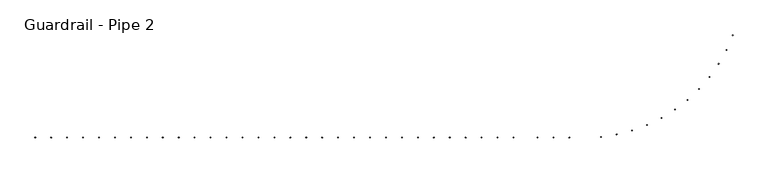
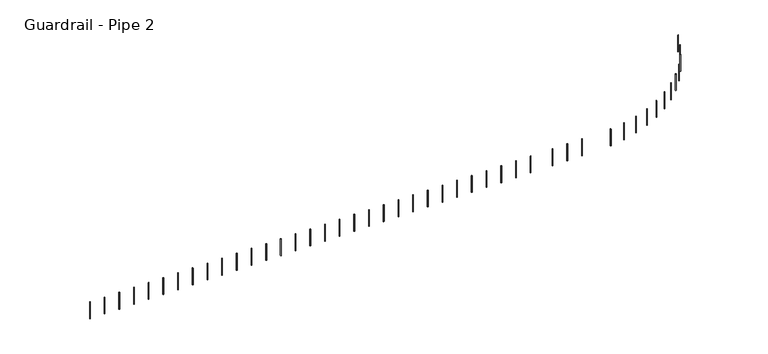
"""IFC4 building model written with IfcOpenShell, lengths in millimetres: railing geometry, Guardrail - Pipe 2."""

from ifc_helpers import new_model, si_unit, point, frame, frame_2d, origin, place, context, project, spatial, circle_curve, trimmed, segment, composite_curve, outline, extrude, source, transform, mapped, element, save


def guardrail_pipe_2_cb32411d(model_context):
    return source(origin(), model_context, "Body", "SweptSolid", [
        extrude(outline(composite_curve([segment(trimmed(circle_curve(frame_2d((217622.2254676, -510134.4080223)), 12.7), [point((217622.2254676, -510147.1080223))], [point((217622.2254676, -510121.7080223))], False, "CARTESIAN"), True, "CONTINUOUS"), segment(trimmed(circle_curve(frame_2d((217622.2254676, -510134.4080223)), 12.7), [point((217622.2254676, -510121.7080223))], [point((217622.2254676, -510147.1080223))], False, "CARTESIAN"), True, "CONTINUOUS")], self_intersect=False)), frame((0.0, 0.0, 4267.2), z_axis=(0.0, 0.0, 1.0), x_axis=(1.0, 0.0, 0.0)), (0.0, 0.0, 1.0), 723.9),
        extrude(outline(composite_curve([segment(trimmed(circle_curve(frame_2d((218231.8254676, -510134.4080223)), 12.7), [point((218231.8254676, -510147.1080223))], [point((218231.8254676, -510121.7080223))], False, "CARTESIAN"), True, "CONTINUOUS"), segment(trimmed(circle_curve(frame_2d((218231.8254676, -510134.4080223)), 12.7), [point((218231.8254676, -510121.7080223))], [point((218231.8254676, -510147.1080223))], False, "CARTESIAN"), True, "CONTINUOUS")], self_intersect=False)), frame((0.0, 0.0, 4267.2), z_axis=(0.0, 0.0, 1.0), x_axis=(1.0, 0.0, 0.0)), (0.0, 0.0, 1.0), 723.9),
        extrude(outline(composite_curve([segment(trimmed(circle_curve(frame_2d((218841.4254676, -510134.4080223)), 12.7), [point((218841.4254676, -510147.1080223))], [point((218841.4254676, -510121.7080223))], False, "CARTESIAN"), True, "CONTINUOUS"), segment(trimmed(circle_curve(frame_2d((218841.4254676, -510134.4080223)), 12.7), [point((218841.4254676, -510121.7080223))], [point((218841.4254676, -510147.1080223))], False, "CARTESIAN"), True, "CONTINUOUS")], self_intersect=False)), frame((0.0, 0.0, 4267.2), z_axis=(0.0, 0.0, 1.0), x_axis=(1.0, 0.0, 0.0)), (0.0, 0.0, 1.0), 723.9),
        extrude(outline(composite_curve([segment(trimmed(circle_curve(frame_2d((219451.0254676, -510134.4080223)), 12.7), [point((219451.0254676, -510147.1080223))], [point((219451.0254676, -510121.7080223))], False, "CARTESIAN"), True, "CONTINUOUS"), segment(trimmed(circle_curve(frame_2d((219451.0254676, -510134.4080223)), 12.7), [point((219451.0254676, -510121.7080223))], [point((219451.0254676, -510147.1080223))], False, "CARTESIAN"), True, "CONTINUOUS")], self_intersect=False)), frame((0.0, 0.0, 4267.2), z_axis=(0.0, 0.0, 1.0), x_axis=(1.0, 0.0, 0.0)), (0.0, 0.0, 1.0), 723.9),
        extrude(outline(composite_curve([segment(trimmed(circle_curve(frame_2d((220060.6254676, -510134.4080223)), 12.7), [point((220060.6254676, -510147.1080223))], [point((220060.6254676, -510121.7080223))], False, "CARTESIAN"), True, "CONTINUOUS"), segment(trimmed(circle_curve(frame_2d((220060.6254676, -510134.4080223)), 12.7), [point((220060.6254676, -510121.7080223))], [point((220060.6254676, -510147.1080223))], False, "CARTESIAN"), True, "CONTINUOUS")], self_intersect=False)), frame((0.0, 0.0, 4267.2), z_axis=(0.0, 0.0, 1.0), x_axis=(1.0, 0.0, 0.0)), (0.0, 0.0, 1.0), 723.9),
        extrude(outline(composite_curve([segment(trimmed(circle_curve(frame_2d((220670.2254676, -510134.4080223)), 12.7), [point((220670.2254676, -510147.1080223))], [point((220670.2254676, -510121.7080223))], False, "CARTESIAN"), True, "CONTINUOUS"), segment(trimmed(circle_curve(frame_2d((220670.2254676, -510134.4080223)), 12.7), [point((220670.2254676, -510121.7080223))], [point((220670.2254676, -510147.1080223))], False, "CARTESIAN"), True, "CONTINUOUS")], self_intersect=False)), frame((0.0, 0.0, 4267.2), z_axis=(0.0, 0.0, 1.0), x_axis=(1.0, 0.0, 0.0)), (0.0, 0.0, 1.0), 723.9),
        extrude(outline(composite_curve([segment(trimmed(circle_curve(frame_2d((221279.8254676, -510134.4080223)), 12.7), [point((221279.8254676, -510147.1080223))], [point((221279.8254676, -510121.7080223))], False, "CARTESIAN"), True, "CONTINUOUS"), segment(trimmed(circle_curve(frame_2d((221279.8254676, -510134.4080223)), 12.7), [point((221279.8254676, -510121.7080223))], [point((221279.8254676, -510147.1080223))], False, "CARTESIAN"), True, "CONTINUOUS")], self_intersect=False)), frame((0.0, 0.0, 4267.2), z_axis=(0.0, 0.0, 1.0), x_axis=(1.0, 0.0, 0.0)), (0.0, 0.0, 1.0), 723.9),
        extrude(outline(composite_curve([segment(trimmed(circle_curve(frame_2d((221889.4254676, -510134.4080223)), 12.7), [point((221889.4254676, -510147.1080223))], [point((221889.4254676, -510121.7080223))], False, "CARTESIAN"), True, "CONTINUOUS"), segment(trimmed(circle_curve(frame_2d((221889.4254676, -510134.4080223)), 12.7), [point((221889.4254676, -510121.7080223))], [point((221889.4254676, -510147.1080223))], False, "CARTESIAN"), True, "CONTINUOUS")], self_intersect=False)), frame((0.0, 0.0, 4267.2), z_axis=(0.0, 0.0, 1.0), x_axis=(1.0, 0.0, 0.0)), (0.0, 0.0, 1.0), 723.9),
        extrude(outline(composite_curve([segment(trimmed(circle_curve(frame_2d((222499.0254676, -510134.4080223)), 12.7), [point((222499.0254676, -510147.1080223))], [point((222499.0254676, -510121.7080223))], False, "CARTESIAN"), True, "CONTINUOUS"), segment(trimmed(circle_curve(frame_2d((222499.0254676, -510134.4080223)), 12.7), [point((222499.0254676, -510121.7080223))], [point((222499.0254676, -510147.1080223))], False, "CARTESIAN"), True, "CONTINUOUS")], self_intersect=False)), frame((0.0, 0.0, 4267.2), z_axis=(0.0, 0.0, 1.0), x_axis=(1.0, 0.0, 0.0)), (0.0, 0.0, 1.0), 723.9),
        extrude(outline(composite_curve([segment(trimmed(circle_curve(frame_2d((223108.6254676, -510134.4080223)), 12.7), [point((223108.6254676, -510147.1080223))], [point((223108.6254676, -510121.7080223))], False, "CARTESIAN"), True, "CONTINUOUS"), segment(trimmed(circle_curve(frame_2d((223108.6254676, -510134.4080223)), 12.7), [point((223108.6254676, -510121.7080223))], [point((223108.6254676, -510147.1080223))], False, "CARTESIAN"), True, "CONTINUOUS")], self_intersect=False)), frame((0.0, 0.0, 4267.2), z_axis=(0.0, 0.0, 1.0), x_axis=(1.0, 0.0, 0.0)), (0.0, 0.0, 1.0), 723.9),
        extrude(outline(composite_curve([segment(trimmed(circle_curve(frame_2d((223718.2254676, -510134.4080223)), 12.7), [point((223718.2254676, -510147.1080223))], [point((223718.2254676, -510121.7080223))], False, "CARTESIAN"), True, "CONTINUOUS"), segment(trimmed(circle_curve(frame_2d((223718.2254676, -510134.4080223)), 12.7), [point((223718.2254676, -510121.7080223))], [point((223718.2254676, -510147.1080223))], False, "CARTESIAN"), True, "CONTINUOUS")], self_intersect=False)), frame((0.0, 0.0, 4267.2), z_axis=(0.0, 0.0, 1.0), x_axis=(1.0, 0.0, 0.0)), (0.0, 0.0, 1.0), 723.9),
        extrude(outline(composite_curve([segment(trimmed(circle_curve(frame_2d((224327.8254676, -510134.4080223)), 12.7), [point((224327.8254676, -510147.1080223))], [point((224327.8254676, -510121.7080223))], False, "CARTESIAN"), True, "CONTINUOUS"), segment(trimmed(circle_curve(frame_2d((224327.8254676, -510134.4080223)), 12.7), [point((224327.8254676, -510121.7080223))], [point((224327.8254676, -510147.1080223))], False, "CARTESIAN"), True, "CONTINUOUS")], self_intersect=False)), frame((0.0, 0.0, 4267.2), z_axis=(0.0, 0.0, 1.0), x_axis=(1.0, 0.0, 0.0)), (0.0, 0.0, 1.0), 723.9),
        extrude(outline(composite_curve([segment(trimmed(circle_curve(frame_2d((224937.4254676, -510134.4080223)), 12.7), [point((224937.4254676, -510147.1080223))], [point((224937.4254676, -510121.7080223))], False, "CARTESIAN"), True, "CONTINUOUS"), segment(trimmed(circle_curve(frame_2d((224937.4254676, -510134.4080223)), 12.7), [point((224937.4254676, -510121.7080223))], [point((224937.4254676, -510147.1080223))], False, "CARTESIAN"), True, "CONTINUOUS")], self_intersect=False)), frame((0.0, 0.0, 4267.2), z_axis=(0.0, 0.0, 1.0), x_axis=(1.0, 0.0, 0.0)), (0.0, 0.0, 1.0), 723.9),
        extrude(outline(composite_curve([segment(trimmed(circle_curve(frame_2d((225547.0254676, -510134.4080223)), 12.7), [point((225547.0254676, -510147.1080223))], [point((225547.0254676, -510121.7080223))], False, "CARTESIAN"), True, "CONTINUOUS"), segment(trimmed(circle_curve(frame_2d((225547.0254676, -510134.4080223)), 12.7), [point((225547.0254676, -510121.7080223))], [point((225547.0254676, -510147.1080223))], False, "CARTESIAN"), True, "CONTINUOUS")], self_intersect=False)), frame((0.0, 0.0, 4267.2), z_axis=(0.0, 0.0, 1.0), x_axis=(1.0, 0.0, 0.0)), (0.0, 0.0, 1.0), 723.9),
        extrude(outline(composite_curve([segment(trimmed(circle_curve(frame_2d((226156.6254676, -510134.4080223)), 12.7), [point((226156.6254676, -510147.1080223))], [point((226156.6254676, -510121.7080223))], False, "CARTESIAN"), True, "CONTINUOUS"), segment(trimmed(circle_curve(frame_2d((226156.6254676, -510134.4080223)), 12.7), [point((226156.6254676, -510121.7080223))], [point((226156.6254676, -510147.1080223))], False, "CARTESIAN"), True, "CONTINUOUS")], self_intersect=False)), frame((0.0, 0.0, 4267.2), z_axis=(0.0, 0.0, 1.0), x_axis=(1.0, 0.0, 0.0)), (0.0, 0.0, 1.0), 723.9),
        extrude(outline(composite_curve([segment(trimmed(circle_curve(frame_2d((226766.2254676, -510134.4080223)), 12.7), [point((226766.2254676, -510147.1080223))], [point((226766.2254676, -510121.7080223))], False, "CARTESIAN"), True, "CONTINUOUS"), segment(trimmed(circle_curve(frame_2d((226766.2254676, -510134.4080223)), 12.7), [point((226766.2254676, -510121.7080223))], [point((226766.2254676, -510147.1080223))], False, "CARTESIAN"), True, "CONTINUOUS")], self_intersect=False)), frame((0.0, 0.0, 4267.2), z_axis=(0.0, 0.0, 1.0), x_axis=(1.0, 0.0, 0.0)), (0.0, 0.0, 1.0), 723.9),
        extrude(outline(composite_curve([segment(trimmed(circle_curve(frame_2d((227375.8254676, -510134.4080223)), 12.7), [point((227375.8254676, -510147.1080223))], [point((227375.8254676, -510121.7080223))], False, "CARTESIAN"), True, "CONTINUOUS"), segment(trimmed(circle_curve(frame_2d((227375.8254676, -510134.4080223)), 12.7), [point((227375.8254676, -510121.7080223))], [point((227375.8254676, -510147.1080223))], False, "CARTESIAN"), True, "CONTINUOUS")], self_intersect=False)), frame((0.0, 0.0, 4267.2), z_axis=(0.0, 0.0, 1.0), x_axis=(1.0, 0.0, 0.0)), (0.0, 0.0, 1.0), 723.9),
        extrude(outline(composite_curve([segment(trimmed(circle_curve(frame_2d((227985.4254676, -510134.4080223)), 12.7), [point((227985.4254676, -510147.1080223))], [point((227985.4254676, -510121.7080223))], False, "CARTESIAN"), True, "CONTINUOUS"), segment(trimmed(circle_curve(frame_2d((227985.4254676, -510134.4080223)), 12.7), [point((227985.4254676, -510121.7080223))], [point((227985.4254676, -510147.1080223))], False, "CARTESIAN"), True, "CONTINUOUS")], self_intersect=False)), frame((0.0, 0.0, 4267.2), z_axis=(0.0, 0.0, 1.0), x_axis=(1.0, 0.0, 0.0)), (0.0, 0.0, 1.0), 723.9),
        extrude(outline(composite_curve([segment(trimmed(circle_curve(frame_2d((228595.0254676, -510134.4080223)), 12.7), [point((228595.0254676, -510147.1080223))], [point((228595.0254676, -510121.7080223))], False, "CARTESIAN"), True, "CONTINUOUS"), segment(trimmed(circle_curve(frame_2d((228595.0254676, -510134.4080223)), 12.7), [point((228595.0254676, -510121.7080223))], [point((228595.0254676, -510147.1080223))], False, "CARTESIAN"), True, "CONTINUOUS")], self_intersect=False)), frame((0.0, 0.0, 4267.2), z_axis=(0.0, 0.0, 1.0), x_axis=(1.0, 0.0, 0.0)), (0.0, 0.0, 1.0), 723.9),
        extrude(outline(composite_curve([segment(trimmed(circle_curve(frame_2d((229204.6254676, -510134.4080223)), 12.7), [point((229204.6254676, -510147.1080223))], [point((229204.6254676, -510121.7080223))], False, "CARTESIAN"), True, "CONTINUOUS"), segment(trimmed(circle_curve(frame_2d((229204.6254676, -510134.4080223)), 12.7), [point((229204.6254676, -510121.7080223))], [point((229204.6254676, -510147.1080223))], False, "CARTESIAN"), True, "CONTINUOUS")], self_intersect=False)), frame((0.0, 0.0, 4267.2), z_axis=(0.0, 0.0, 1.0), x_axis=(1.0, 0.0, 0.0)), (0.0, 0.0, 1.0), 723.9),
        extrude(outline(composite_curve([segment(trimmed(circle_curve(frame_2d((229814.2254676, -510134.4080223)), 12.7), [point((229814.2254676, -510147.1080223))], [point((229814.2254676, -510121.7080223))], False, "CARTESIAN"), True, "CONTINUOUS"), segment(trimmed(circle_curve(frame_2d((229814.2254676, -510134.4080223)), 12.7), [point((229814.2254676, -510121.7080223))], [point((229814.2254676, -510147.1080223))], False, "CARTESIAN"), True, "CONTINUOUS")], self_intersect=False)), frame((0.0, 0.0, 4267.2), z_axis=(0.0, 0.0, 1.0), x_axis=(1.0, 0.0, 0.0)), (0.0, 0.0, 1.0), 723.9),
        extrude(outline(composite_curve([segment(trimmed(circle_curve(frame_2d((230423.8254676, -510134.4080223)), 12.7), [point((230423.8254676, -510147.1080223))], [point((230423.8254676, -510121.7080223))], False, "CARTESIAN"), True, "CONTINUOUS"), segment(trimmed(circle_curve(frame_2d((230423.8254676, -510134.4080223)), 12.7), [point((230423.8254676, -510121.7080223))], [point((230423.8254676, -510147.1080223))], False, "CARTESIAN"), True, "CONTINUOUS")], self_intersect=False)), frame((0.0, 0.0, 4267.2), z_axis=(0.0, 0.0, 1.0), x_axis=(1.0, 0.0, 0.0)), (0.0, 0.0, 1.0), 723.9),
        extrude(outline(composite_curve([segment(trimmed(circle_curve(frame_2d((231033.4254676, -510134.4080223)), 12.7), [point((231033.4254676, -510147.1080223))], [point((231033.4254676, -510121.7080223))], False, "CARTESIAN"), True, "CONTINUOUS"), segment(trimmed(circle_curve(frame_2d((231033.4254676, -510134.4080223)), 12.7), [point((231033.4254676, -510121.7080223))], [point((231033.4254676, -510147.1080223))], False, "CARTESIAN"), True, "CONTINUOUS")], self_intersect=False)), frame((0.0, 0.0, 4267.2), z_axis=(0.0, 0.0, 1.0), x_axis=(1.0, 0.0, 0.0)), (0.0, 0.0, 1.0), 723.9),
        extrude(outline(composite_curve([segment(trimmed(circle_curve(frame_2d((231643.0254676, -510134.4080223)), 12.7), [point((231643.0254676, -510147.1080223))], [point((231643.0254676, -510121.7080223))], False, "CARTESIAN"), True, "CONTINUOUS"), segment(trimmed(circle_curve(frame_2d((231643.0254676, -510134.4080223)), 12.7), [point((231643.0254676, -510121.7080223))], [point((231643.0254676, -510147.1080223))], False, "CARTESIAN"), True, "CONTINUOUS")], self_intersect=False)), frame((0.0, 0.0, 4267.2), z_axis=(0.0, 0.0, 1.0), x_axis=(1.0, 0.0, 0.0)), (0.0, 0.0, 1.0), 723.9),
        extrude(outline(composite_curve([segment(trimmed(circle_curve(frame_2d((232252.6254676, -510134.4080223)), 12.7), [point((232252.6254676, -510147.1080223))], [point((232252.6254676, -510121.7080223))], False, "CARTESIAN"), True, "CONTINUOUS"), segment(trimmed(circle_curve(frame_2d((232252.6254676, -510134.4080223)), 12.7), [point((232252.6254676, -510121.7080223))], [point((232252.6254676, -510147.1080223))], False, "CARTESIAN"), True, "CONTINUOUS")], self_intersect=False)), frame((0.0, 0.0, 4267.2), z_axis=(0.0, 0.0, 1.0), x_axis=(1.0, 0.0, 0.0)), (0.0, 0.0, 1.0), 723.9),
        extrude(outline(composite_curve([segment(trimmed(circle_curve(frame_2d((232862.2254676, -510134.4080223)), 12.7), [point((232862.2254676, -510147.1080223))], [point((232862.2254676, -510121.7080223))], False, "CARTESIAN"), True, "CONTINUOUS"), segment(trimmed(circle_curve(frame_2d((232862.2254676, -510134.4080223)), 12.7), [point((232862.2254676, -510121.7080223))], [point((232862.2254676, -510147.1080223))], False, "CARTESIAN"), True, "CONTINUOUS")], self_intersect=False)), frame((0.0, 0.0, 4267.2), z_axis=(0.0, 0.0, 1.0), x_axis=(1.0, 0.0, 0.0)), (0.0, 0.0, 1.0), 723.9),
        extrude(outline(composite_curve([segment(trimmed(circle_curve(frame_2d((233471.8254676, -510134.4080223)), 12.7), [point((233471.8254676, -510147.1080223))], [point((233471.8254676, -510121.7080223))], False, "CARTESIAN"), True, "CONTINUOUS"), segment(trimmed(circle_curve(frame_2d((233471.8254676, -510134.4080223)), 12.7), [point((233471.8254676, -510121.7080223))], [point((233471.8254676, -510147.1080223))], False, "CARTESIAN"), True, "CONTINUOUS")], self_intersect=False)), frame((0.0, 0.0, 4267.2), z_axis=(0.0, 0.0, 1.0), x_axis=(1.0, 0.0, 0.0)), (0.0, 0.0, 1.0), 723.9),
        extrude(outline(composite_curve([segment(trimmed(circle_curve(frame_2d((234081.4254676, -510134.4080223)), 12.7), [point((234081.4254676, -510147.1080223))], [point((234081.4254676, -510121.7080223))], False, "CARTESIAN"), True, "CONTINUOUS"), segment(trimmed(circle_curve(frame_2d((234081.4254676, -510134.4080223)), 12.7), [point((234081.4254676, -510121.7080223))], [point((234081.4254676, -510147.1080223))], False, "CARTESIAN"), True, "CONTINUOUS")], self_intersect=False)), frame((0.0, 0.0, 4267.2), z_axis=(0.0, 0.0, 1.0), x_axis=(1.0, 0.0, 0.0)), (0.0, 0.0, 1.0), 723.9),
        extrude(outline(composite_curve([segment(trimmed(circle_curve(frame_2d((234691.0254676, -510134.4080223)), 12.7), [point((234691.0254676, -510147.1080223))], [point((234691.0254676, -510121.7080223))], False, "CARTESIAN"), True, "CONTINUOUS"), segment(trimmed(circle_curve(frame_2d((234691.0254676, -510134.4080223)), 12.7), [point((234691.0254676, -510121.7080223))], [point((234691.0254676, -510147.1080223))], False, "CARTESIAN"), True, "CONTINUOUS")], self_intersect=False)), frame((0.0, 0.0, 4267.2), z_axis=(0.0, 0.0, 1.0), x_axis=(1.0, 0.0, 0.0)), (0.0, 0.0, 1.0), 723.9),
        extrude(outline(composite_curve([segment(trimmed(circle_curve(frame_2d((235300.6254676, -510134.4080223)), 12.7), [point((235300.6254676, -510147.1080223))], [point((235300.6254676, -510121.7080223))], False, "CARTESIAN"), True, "CONTINUOUS"), segment(trimmed(circle_curve(frame_2d((235300.6254676, -510134.4080223)), 12.7), [point((235300.6254676, -510121.7080223))], [point((235300.6254676, -510147.1080223))], False, "CARTESIAN"), True, "CONTINUOUS")], self_intersect=False)), frame((0.0, 0.0, 4267.2), z_axis=(0.0, 0.0, 1.0), x_axis=(1.0, 0.0, 0.0)), (0.0, 0.0, 1.0), 723.9),
        extrude(outline(composite_curve([segment(trimmed(circle_curve(frame_2d((235910.2254676, -510134.4080223)), 12.7), [point((235910.2254676, -510147.1080223))], [point((235910.2254676, -510121.7080223))], False, "CARTESIAN"), True, "CONTINUOUS"), segment(trimmed(circle_curve(frame_2d((235910.2254676, -510134.4080223)), 12.7), [point((235910.2254676, -510121.7080223))], [point((235910.2254676, -510147.1080223))], False, "CARTESIAN"), True, "CONTINUOUS")], self_intersect=False)), frame((0.0, 0.0, 4267.2), z_axis=(0.0, 0.0, 1.0), x_axis=(1.0, 0.0, 0.0)), (0.0, 0.0, 1.0), 723.9),
        extrude(outline(composite_curve([segment(trimmed(circle_curve(frame_2d((236824.6254676, -510134.4080223)), 12.7), [point((236824.6254676, -510147.1080223))], [point((236824.6254676, -510121.7080223))], False, "CARTESIAN"), True, "CONTINUOUS"), segment(trimmed(circle_curve(frame_2d((236824.6254676, -510134.4080223)), 12.7), [point((236824.6254676, -510121.7080223))], [point((236824.6254676, -510147.1080223))], False, "CARTESIAN"), True, "CONTINUOUS")], self_intersect=False)), frame((0.0, 0.0, 4267.2), z_axis=(0.0, 0.0, 1.0), x_axis=(1.0, 0.0, 0.0)), (0.0, 0.0, 1.0), 723.9),
        extrude(outline(composite_curve([segment(trimmed(circle_curve(frame_2d((237434.2254676, -510134.4080223)), 12.7), [point((237434.2254676, -510147.1080223))], [point((237434.2254676, -510121.7080223))], False, "CARTESIAN"), True, "CONTINUOUS"), segment(trimmed(circle_curve(frame_2d((237434.2254676, -510134.4080223)), 12.7), [point((237434.2254676, -510121.7080223))], [point((237434.2254676, -510147.1080223))], False, "CARTESIAN"), True, "CONTINUOUS")], self_intersect=False)), frame((0.0, 0.0, 4267.2), z_axis=(0.0, 0.0, 1.0), x_axis=(1.0, 0.0, 0.0)), (0.0, 0.0, 1.0), 723.9),
        extrude(outline(composite_curve([segment(trimmed(circle_curve(frame_2d((238043.8254676, -510134.4080223)), 12.7), [point((238043.8254676, -510147.1080223))], [point((238043.8254676, -510121.7080223))], False, "CARTESIAN"), True, "CONTINUOUS"), segment(trimmed(circle_curve(frame_2d((238043.8254676, -510134.4080223)), 12.7), [point((238043.8254676, -510121.7080223))], [point((238043.8254676, -510147.1080223))], False, "CARTESIAN"), True, "CONTINUOUS")], self_intersect=False)), frame((0.0, 0.0, 4267.2), z_axis=(0.0, 0.0, 1.0), x_axis=(1.0, 0.0, 0.0)), (0.0, 0.0, 1.0), 723.9),
        extrude(outline(composite_curve([segment(trimmed(circle_curve(frame_2d((239252.344994, -510104.5401957)), 12.7), [point((239253.6085373, -510117.1771834))], [point((239251.0814507, -510091.9032079))], False, "CARTESIAN"), True, "CONTINUOUS"), segment(trimmed(circle_curve(frame_2d((239252.344994, -510104.5401957)), 12.7), [point((239251.0814507, -510091.9032079))], [point((239253.6085373, -510117.1771834))], False, "CARTESIAN"), True, "CONTINUOUS")], self_intersect=False)), frame((0.0, 0.0, 4267.2), z_axis=(0.0, 0.0, 1.0), x_axis=(1.0, 0.0, 0.0)), (0.0, 0.0, 1.0), 723.9),
        extrude(outline(composite_curve([segment(trimmed(circle_curve(frame_2d((239854.8159538, -510013.3072806)), 12.7), [point((239857.3505329, -510025.7517938))], [point((239852.2813747, -510000.8627674))], False, "CARTESIAN"), True, "CONTINUOUS"), segment(trimmed(circle_curve(frame_2d((239854.8159538, -510013.3072806)), 12.7), [point((239852.2813747, -510000.8627674))], [point((239857.3505329, -510025.7517938))], False, "CARTESIAN"), True, "CONTINUOUS")], self_intersect=False)), frame((0.0, 0.0, 4267.2), z_axis=(0.0, 0.0, 1.0), x_axis=(1.0, 0.0, 0.0)), (0.0, 0.0, 1.0), 723.9),
        extrude(outline(composite_curve([segment(trimmed(circle_curve(frame_2d((240444.9774589, -509861.6362546)), 12.7), [point((240448.7571044, -509873.7607868))], [point((240441.1978133, -509849.5117225))], False, "CARTESIAN"), True, "CONTINUOUS"), segment(trimmed(circle_curve(frame_2d((240444.9774589, -509861.6362546)), 12.7), [point((240441.1978133, -509849.5117225))], [point((240448.7571044, -509873.7607868))], False, "CARTESIAN"), True, "CONTINUOUS")], self_intersect=False)), frame((0.0, 0.0, 4267.2), z_axis=(0.0, 0.0, 1.0), x_axis=(1.0, 0.0, 0.0)), (0.0, 0.0, 1.0), 723.9),
        extrude(outline(composite_curve([segment(trimmed(circle_curve(frame_2d((241016.7827106, -509651.08114)), 12.7), [point((241021.7686963, -509662.761463))], [point((241011.7967248, -509639.4008169))], False, "CARTESIAN"), True, "CONTINUOUS"), segment(trimmed(circle_curve(frame_2d((241016.7827106, -509651.08114)), 12.7), [point((241011.7967248, -509639.4008169))], [point((241021.7686963, -509662.761463))], False, "CARTESIAN"), True, "CONTINUOUS")], self_intersect=False)), frame((0.0, 0.0, 4267.2), z_axis=(0.0, 0.0, 1.0), x_axis=(1.0, 0.0, 0.0)), (0.0, 0.0, 1.0), 723.9),
        extrude(outline(composite_curve([segment(trimmed(circle_curve(frame_2d((241564.3729886, -509383.7992857)), 12.7), [point((241570.5142281, -509394.915723))], [point((241558.2317491, -509372.6828484))], False, "CARTESIAN"), True, "CONTINUOUS"), segment(trimmed(circle_curve(frame_2d((241564.3729886, -509383.7992857)), 12.7), [point((241558.2317491, -509372.6828484))], [point((241570.5142281, -509394.915723))], False, "CARTESIAN"), True, "CONTINUOUS")], self_intersect=False)), frame((0.0, 0.0, 4267.2), z_axis=(0.0, 0.0, 1.0), x_axis=(1.0, 0.0, 0.0)), (0.0, 0.0, 1.0), 723.9),
        extrude(outline(composite_curve([segment(trimmed(circle_curve(frame_2d((242082.1376794, -509062.5292635)), 12.7), [point((242089.3712495, -509072.9679159))], [point((242074.9041093, -509052.0906111))], False, "CARTESIAN"), True, "CONTINUOUS"), segment(trimmed(circle_curve(frame_2d((242082.1376794, -509062.5292635)), 12.7), [point((242074.9041093, -509052.0906111))], [point((242089.3712495, -509072.9679159))], False, "CARTESIAN"), True, "CONTINUOUS")], self_intersect=False)), frame((0.0, 0.0, 4267.2), z_axis=(0.0, 0.0, 1.0), x_axis=(1.0, 0.0, 0.0)), (0.0, 0.0, 1.0), 723.9),
        extrude(outline(composite_curve([segment(trimmed(circle_curve(frame_2d((242564.7717626, -508690.5628081)), 12.7), [point((242573.023548, -508700.2167211))], [point((242556.5199771, -508680.908895))], False, "CARTESIAN"), True, "CONTINUOUS"), segment(trimmed(circle_curve(frame_2d((242564.7717626, -508690.5628081)), 12.7), [point((242556.5199771, -508680.908895))], [point((242573.023548, -508700.2167211))], False, "CARTESIAN"), True, "CONTINUOUS")], self_intersect=False)), frame((0.0, 0.0, 4267.2), z_axis=(0.0, 0.0, 1.0), x_axis=(1.0, 0.0, 0.0)), (0.0, 0.0, 1.0), 723.9),
        extrude(outline(composite_curve([segment(trimmed(circle_curve(frame_2d((243007.3301661, -508271.7110901)), 12.7), [point((243016.5156191, -508280.4813498))], [point((242998.1447132, -508262.9408305))], False, "CARTESIAN"), True, "CONTINUOUS"), segment(trimmed(circle_curve(frame_2d((243007.3301661, -508271.7110901)), 12.7), [point((242998.1447132, -508262.9408305))], [point((243016.5156191, -508280.4813498))], False, "CARTESIAN"), True, "CONTINUOUS")], self_intersect=False)), frame((0.0, 0.0, 4267.2), z_axis=(0.0, 0.0, 1.0), x_axis=(1.0, 0.0, 0.0)), (0.0, 0.0, 1.0), 723.9),
        extrude(outline(composite_curve([segment(trimmed(circle_curve(frame_2d((243405.2784338, -507810.2656671)), 12.7), [point((243415.3034401, -507818.0624132))], [point((243395.2534276, -507802.468921))], False, "CARTESIAN"), True, "CONTINUOUS"), segment(trimmed(circle_curve(frame_2d((243405.2784338, -507810.2656671)), 12.7), [point((243395.2534276, -507802.468921))], [point((243415.3034401, -507818.0624132))], False, "CARTESIAN"), True, "CONTINUOUS")], self_intersect=False)), frame((0.0, 0.0, 4267.2), z_axis=(0.0, 0.0, 1.0), x_axis=(1.0, 0.0, 0.0)), (0.0, 0.0, 1.0), 723.9),
        extrude(outline(composite_curve([segment(trimmed(circle_curve(frame_2d((243754.5391851, -507310.9545118)), 12.7), [point((243765.3010284, -507317.6978589))], [point((243743.7773419, -507304.2111648))], False, "CARTESIAN"), True, "CONTINUOUS"), segment(trimmed(circle_curve(frame_2d((243754.5391851, -507310.9545118)), 12.7), [point((243743.7773419, -507304.2111648))], [point((243765.3010284, -507317.6978589))], False, "CARTESIAN"), True, "CONTINUOUS")], self_intersect=False)), frame((0.0, 0.0, 4267.2), z_axis=(0.0, 0.0, 1.0), x_axis=(1.0, 0.0, 0.0)), (0.0, 0.0, 1.0), 723.9),
        extrude(outline(composite_curve([segment(trimmed(circle_curve(frame_2d((244051.5338921, -506778.8935696)), 12.7), [point((244062.9223065, -506784.5144252))], [point((244040.1454777, -506773.272714))], False, "CARTESIAN"), True, "CONTINUOUS"), segment(trimmed(circle_curve(frame_2d((244051.5338921, -506778.8935696)), 12.7), [point((244040.1454777, -506773.272714))], [point((244062.9223065, -506784.5144252))], False, "CARTESIAN"), True, "CONTINUOUS")], self_intersect=False)), frame((0.0, 0.0, 4267.2), z_axis=(0.0, 0.0, 1.0), x_axis=(1.0, 0.0, 0.0)), (0.0, 0.0, 1.0), 723.9),
        extrude(outline(composite_curve([segment(trimmed(circle_curve(frame_2d((244293.219545, -506219.5343404)), 12.7), [point((244305.1178448, -506223.9751132))], [point((244281.3212453, -506215.0935675))], False, "CARTESIAN"), True, "CONTINUOUS"), segment(trimmed(circle_curve(frame_2d((244293.219545, -506219.5343404)), 12.7), [point((244281.3212453, -506215.0935675))], [point((244305.1178448, -506223.9751132))], False, "CARTESIAN"), True, "CONTINUOUS")], self_intersect=False)), frame((0.0, 0.0, 4267.2), z_axis=(0.0, 0.0, 1.0), x_axis=(1.0, 0.0, 0.0)), (0.0, 0.0, 1.0), 723.9),
    ])


if __name__ == "__main__":
    model = new_model("IFC4")
    model_context = context("Model", 3, world=origin())
    ifc_project = project(units=[si_unit("LENGTHUNIT", "METRE", prefix="MILLI")], contexts=[model_context])
    site = spatial("IfcSite", under=ifc_project)
    building = spatial("IfcBuilding", under=site)
    placement = place(None, origin())
    guardrail_pipe_2_shape = guardrail_pipe_2_cb32411d(model_context)
    element("IfcRailing", 1, ObjectType="Guardrail - Pipe 2", at=placement, inside=building, context=model_context, shape_type="MappedRepresentation", body=[
        mapped(guardrail_pipe_2_shape, transform((0.0, 0.0, 0.0), x_axis=(1.0, 0.0, 0.0), y_axis=(0.0, 1.0, 0.0), z_axis=(0.0, 0.0, 1.0))),
    ])
    save(model, "model.ifc")
